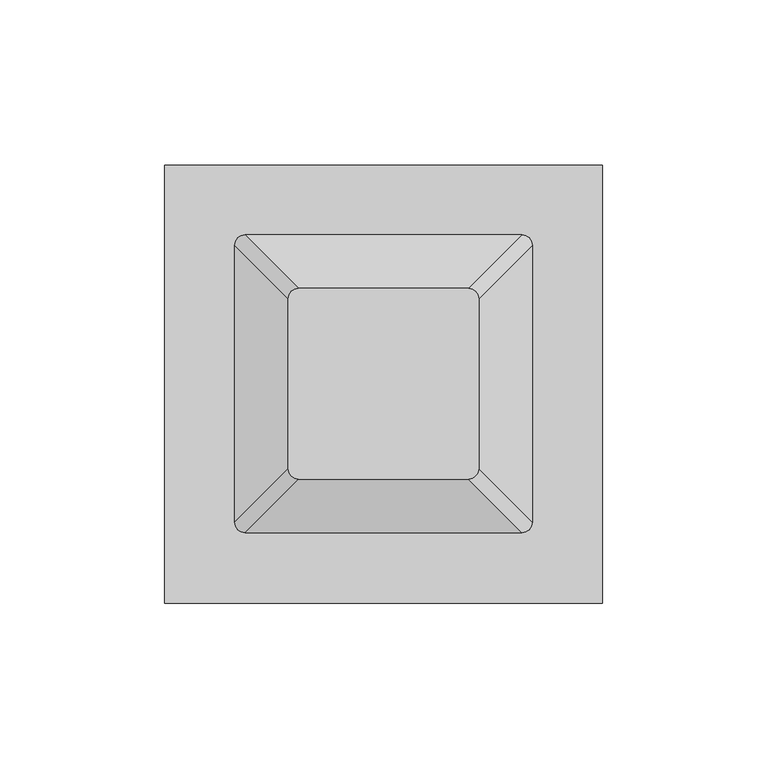
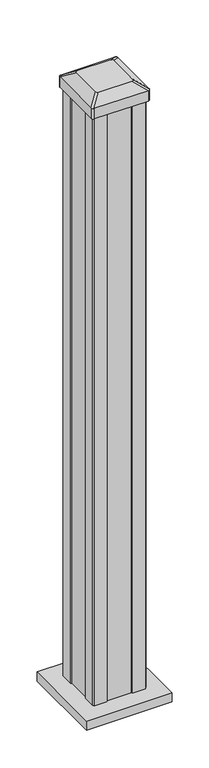
"""IFC4 building model written with IfcOpenShell, lengths in millimetres: railing geometry."""

from ifc_helpers import new_model, si_unit, point, frame, frame_2d, origin, origin_with_axes, place, context, project, spatial, polyline, circle_curve, trimmed, segment, composite_curve, outline, extrude, source, transform, mapped, element, save
from ifc_brep_helpers import plane_surface, extruded_surface, advanced_brep


def railing_e8511fc8(model_context):
    return source(origin(), model_context, "Body", "SolidModel", [
        extrude(outline(polyline([(14023.9056138, -47510.1918046), (14023.9056138, -47376.9410234), (14157.1563951, -47376.9410234), (14157.1563951, -47510.1918046), (14023.9056138, -47510.1918046)])), origin_with_axes(), (0.0, 0.0, 1.0), 15.24),
        advanced_brep(
        [(14061.5591294, -47417.769539, 1012.825), (14061.5591294, -47469.363289, 1012.825), (14064.7341294, -47472.538289, 1012.825), (14116.3278794, -47472.538289, 1012.825), (14119.5028794, -47469.363289, 1012.825), (14119.5028794, -47417.769539, 1012.825), (14116.3278794, -47414.594539, 1012.825), (14064.7341294, -47414.594539, 1012.825), (14045.2872544, -47401.497664, 1001.522), (14048.4622544, -47398.322664, 1001.522), (14132.5997544, -47398.322664, 1001.522), (14135.7747544, -47401.497664, 1001.522), (14135.7747544, -47485.635164, 1001.522), (14132.5997544, -47488.810164, 1001.522), (14048.4622544, -47488.810164, 1001.522), (14045.2872544, -47485.635164, 1001.522)],
        [
            (0, 1),
            (1, 2, circle_curve(frame((14064.7341294, -47469.363289, 1012.825), z_axis=(0.0, 0.0, 1.0), x_axis=(1.0, 0.0, 0.0)), 3.175)),
            (2, 3),
            (3, 4, circle_curve(frame((14116.3278794, -47469.363289, 1012.825), z_axis=(0.0, 0.0, 1.0), x_axis=(1.0, 0.0, 0.0)), 3.175)),
            (4, 5),
            (5, 6, circle_curve(frame((14116.3278794, -47417.769539, 1012.825), z_axis=(0.0, 0.0, 1.0), x_axis=(1.0, 0.0, 0.0)), 3.175)),
            (6, 7),
            (7, 0, circle_curve(frame((14064.7341294, -47417.769539, 1012.825), z_axis=(0.0, 0.0, 1.0), x_axis=(1.0, 0.0, 0.0)), 3.175)),
            (8, 9, circle_curve(frame((14048.4622544, -47401.497664, 1001.522), z_axis=(0.0, 0.0, -1.0), x_axis=(1.0, 0.0, 0.0)), 3.175)),
            (9, 10),
            (10, 11, circle_curve(frame((14132.5997544, -47401.497664, 1001.522), z_axis=(0.0, 0.0, -1.0), x_axis=(1.0, 0.0, 0.0)), 3.175)),
            (11, 12),
            (12, 13, circle_curve(frame((14132.5997544, -47485.635164, 1001.522), z_axis=(0.0, 0.0, -1.0), x_axis=(1.0, 0.0, 0.0)), 3.175)),
            (13, 14),
            (14, 15, circle_curve(frame((14048.4622544, -47485.635164, 1001.522), z_axis=(0.0, 0.0, -1.0), x_axis=(1.0, 0.0, 0.0)), 3.175)),
            (15, 8),
            (8, 0),
            (7, 9),
            (6, 10),
            (5, 11),
            (4, 12),
            (3, 13),
            (2, 14),
            (1, 15),
        ],
        [
            plane_surface(frame((14090.5310044, -47443.566414, 1012.825), z_axis=(0.0, 0.0, 1.0), x_axis=(0.0, 1.0, 0.0))),
            plane_surface(frame((14090.5310044, -47443.566414, 1001.522), z_axis=(0.0, 0.0, -1.0), x_axis=(0.0, 1.0, 0.0))),
            extruded_surface(trimmed(circle_curve(frame((14064.7341294, -47417.769539, 1012.825), z_axis=(0.0, 0.0, -1.0), x_axis=(1.0, 0.0, 0.0)), 3.175), [point((14061.5591294, -47417.769539, 1012.825))], [point((14064.7341294, -47414.594539, 1012.825))], True, "CARTESIAN"), (-16.271875000000364, 16.271874999998545, -11.302999999999997), 25.637972638865467),
            plane_surface(frame((14090.5310044, -47398.322664, 1001.522), z_axis=(0.0, 0.5705009161540779, 0.8212969649690408), x_axis=(1.0, 0.0, 0.0))),
            extruded_surface(trimmed(circle_curve(frame((14116.3278794, -47417.769539, 1012.825), z_axis=(0.0, 0.0, -1.0), x_axis=(1.0, 0.0, 0.0)), 3.175), [point((14116.3278794, -47414.594539, 1012.825))], [point((14119.5028794, -47417.769539, 1012.825))], True, "CARTESIAN"), (16.271875000000364, 16.271874999998545, -11.302999999999997), 25.637972638865467),
            plane_surface(frame((14135.7747544, -47443.566414, 1001.522), z_axis=(0.5705009161540291, 0.0, 0.8212969649690747), x_axis=(0.0, -1.0, 0.0))),
            extruded_surface(trimmed(circle_curve(frame((14116.3278794, -47469.363289, 1012.825), z_axis=(0.0, 0.0, -1.0), x_axis=(1.0, 0.0, 0.0)), 3.175), [point((14119.5028794, -47469.363289, 1012.825))], [point((14116.3278794, -47472.538289, 1012.825))], True, "CARTESIAN"), (16.271875000000364, -16.271874999998545, -11.302999999999997), 25.637972638865467),
            plane_surface(frame((14090.5310044, -47488.810164, 1001.522), z_axis=(0.0, -0.5705009161540141, 0.8212969649690851), x_axis=(-1.0, 0.0, 0.0))),
            extruded_surface(trimmed(circle_curve(frame((14064.7341294, -47469.363289, 1012.825), z_axis=(0.0, 0.0, -1.0), x_axis=(1.0, 0.0, 0.0)), 3.175), [point((14064.7341294, -47472.538289, 1012.825))], [point((14061.5591294, -47469.363289, 1012.825))], True, "CARTESIAN"), (-16.271875000000364, -16.271874999998545, -11.302999999999997), 25.637972638865467),
            plane_surface(frame((14045.2872544, -47443.566414, 1001.522), z_axis=(-0.570500916154034, 0.0, 0.8212969649690713), x_axis=(0.0, 1.0, 0.0))),
        ],
        [
            (0, [[1, 2, 3, 4, 5, 6, 7, 8]]),
            (1, [[9, 10, 11, 12, 13, 14, 15, 16]]),
            (2, [[17, -8, 18, -9]]),
            (3, [[-18, -7, 19, -10]]),
            (4, [[-19, -6, 20, -11]]),
            (5, [[-20, -5, 21, -12]]),
            (6, [[-21, -4, 22, -13]]),
            (7, [[-22, -3, 23, -14]]),
            (8, [[-23, -2, 24, -15]]),
            (9, [[-24, -1, -17, -16]]),
        ],
    ),
        extrude(outline(composite_curve([segment(trimmed(circle_curve(frame_2d((14048.4622544, -47401.497664)), 3.175), [point((14045.2872544, -47401.497664))], [point((14048.4622544, -47398.322664))], False, "CARTESIAN"), True, "CONTINUOUS"), segment(polyline([(14048.4622544, -47398.322664), (14132.5997544, -47398.322664)]), True, "CONTINUOUS"), segment(trimmed(circle_curve(frame_2d((14132.5997544, -47401.497664)), 3.175), [point((14132.5997544, -47398.322664))], [point((14135.7747544, -47401.497664))], False, "CARTESIAN"), True, "CONTINUOUS"), segment(polyline([(14135.7747544, -47401.497664), (14135.7747544, -47485.635164)]), True, "CONTINUOUS"), segment(trimmed(circle_curve(frame_2d((14132.5997544, -47485.635164)), 3.175), [point((14135.7747544, -47485.635164))], [point((14132.5997544, -47488.810164))], False, "CARTESIAN"), True, "CONTINUOUS"), segment(polyline([(14132.5997544, -47488.810164), (14048.4622544, -47488.810164)]), True, "CONTINUOUS"), segment(trimmed(circle_curve(frame_2d((14048.4622544, -47485.635164)), 3.175), [point((14048.4622544, -47488.810164))], [point((14045.2872544, -47485.635164))], False, "CARTESIAN"), True, "CONTINUOUS"), segment(polyline([(14045.2872544, -47485.635164), (14045.2872544, -47401.497664)]), True, "CONTINUOUS")], self_intersect=False)), frame((0.0, 0.0, 984.25), z_axis=(0.0, 0.0, 1.0), x_axis=(1.0, 0.0, 0.0)), (0.0, 0.0, 1.0), 17.272),
        extrude(outline(polyline([(14049.2560044, -47403.878914), (14050.8435044, -47402.291414), (14070.4650044, -47402.291414), (14071.2270044, -47403.878914), (14109.8350044, -47403.878914), (14110.5970044, -47402.291414), (14130.2185044, -47402.291414), (14131.8060044, -47403.878914), (14131.8060044, -47423.500414), (14130.2185044, -47424.262414), (14130.2185044, -47462.870414), (14131.8060044, -47463.632414), (14131.8060044, -47483.253914), (14130.2185044, -47484.841414), (14110.5970044, -47484.841414), (14109.8350044, -47483.253914), (14071.2270044, -47483.253914), (14070.4650044, -47484.841414), (14050.8435044, -47484.841414), (14049.2560044, -47483.253914), (14049.2560044, -47463.632414), (14050.8435044, -47462.870414), (14050.8435044, -47424.262414), (14049.2560044, -47423.500414), (14049.2560044, -47403.878914)])), origin_with_axes(), (0.0, 0.0, 1.0), 984.25),
    ])


if __name__ == "__main__":
    model = new_model("IFC4")
    model_context = context("Model", 3, world=origin())
    ifc_project = project(units=[si_unit("LENGTHUNIT", "METRE", prefix="MILLI")], contexts=[model_context])
    site = spatial("IfcSite", under=ifc_project)
    building = spatial("IfcBuilding", under=site)
    placement = place(None, origin())
    railing_shape = railing_e8511fc8(model_context)
    element("IfcRailing", 1, at=placement, inside=building, context=model_context, shape_type="MappedRepresentation", body=[
        mapped(railing_shape, transform((0.0, 0.0, 0.0), x_axis=(1.0, 0.0, 0.0), y_axis=(0.0, 1.0, 0.0), z_axis=(0.0, 0.0, 1.0))),
    ])
    save(model, "model.ifc")
